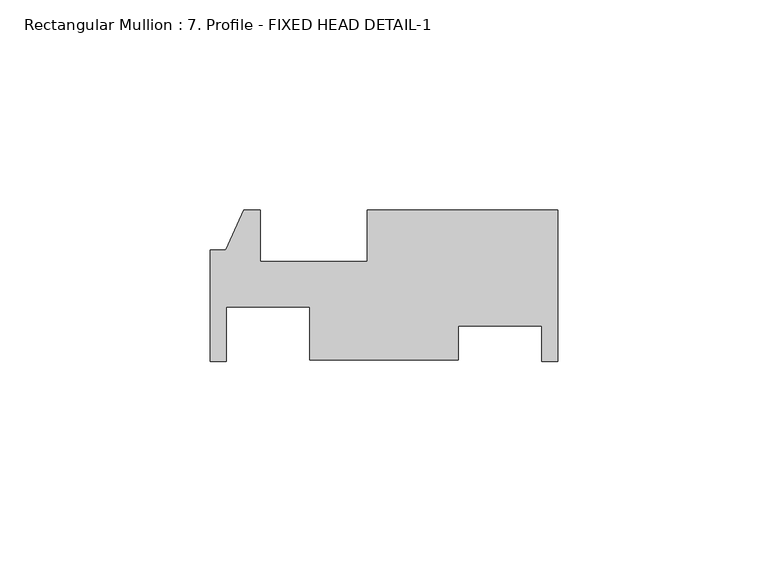
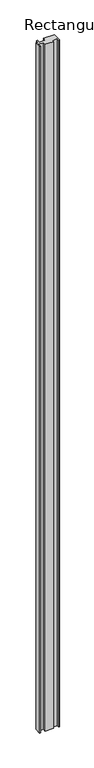
"""IFC4 building model written with IfcOpenShell, lengths in millimetres: member geometry, Rectangular Mullion : 7. Profile - FIXED HEAD DETAIL-1."""

from ifc_helpers import new_model, si_unit, frame, origin, place, context, project, spatial, polyline, outline, extrude, source, transform, mapped, element, save


def rectangular_mullion_7_profile_fixed_head_detail_1_e506e6a9(model_context):
    return source(origin(), model_context, "Body", "SweptSolid", [
        extrude(outline(polyline([(0.0, -24.1991092), (-3.7338, -24.1991092), (-3.7338, -15.7229506), (-23.5712, -15.7229506), (-23.5712, -23.8534077), (-58.9788, -23.8534077), (-58.9788, -11.2280966), (-78.8162, -11.2280966), (-78.8162, -24.1991092), (-82.55, -24.1991092), (-82.55, 2.2676908), (-78.9432, 2.2676908), (-74.6252, 11.7926908), (-70.7136, 11.7926908), (-70.7136, -0.4247092), (-45.3136, -0.4247092), (-45.3136, 11.7926908), (0.0, 11.7926908), (0.0, -24.1991092)])), frame((0.0, 0.0, -3048.0), z_axis=(0.0, 0.0, 1.0), x_axis=(1.0, 0.0, 0.0)), (0.0, 0.0, 1.0), 3048.0),
    ])


if __name__ == "__main__":
    model = new_model("IFC4")
    model_context = context("Model", 3, world=origin())
    ifc_project = project(units=[si_unit("LENGTHUNIT", "METRE", prefix="MILLI")], contexts=[model_context])
    site = spatial("IfcSite", under=ifc_project)
    building = spatial("IfcBuilding", under=site)
    placement = place(None, origin())
    rectangular_mullion_7_profile_fixed_head_detail_1_shape = rectangular_mullion_7_profile_fixed_head_detail_1_e506e6a9(model_context)
    element("IfcMember", 1, ObjectType="Rectangular Mullion : 7. Profile - FIXED HEAD DETAIL-1", at=placement, inside=building, context=model_context, shape_type="MappedRepresentation", body=[
        mapped(rectangular_mullion_7_profile_fixed_head_detail_1_shape, transform((0.0, 0.0, 0.0), x_axis=(1.0, 0.0, 0.0), y_axis=(0.0, 1.0, 0.0), z_axis=(0.0, 0.0, 1.0))),
    ])
    save(model, "model.ifc")
